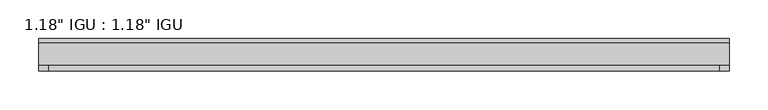
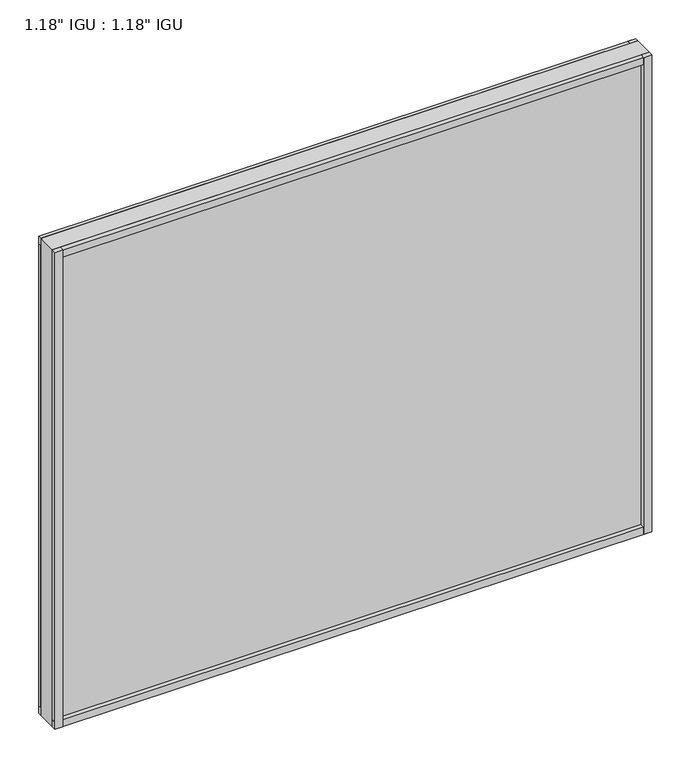
"""IFC4 building model written with IfcOpenShell, lengths in millimetres: plate geometry."""

from ifc_helpers import new_model, si_unit, frame, origin, origin_with_axes, place, context, project, spatial, polyline, outline, extrude, source, transform, mapped, element, save


def plate_cc56fae7(model_context):
    return source(origin(), model_context, "Body", "SweptSolid", [
        extrude(outline(polyline([(444.51905, -9.7647125), (444.51905, -14.5399125), (-444.51905, -14.5399125), (-444.51905, -9.7647125), (444.51905, -9.7647125)])), origin_with_axes(), (0.0, 0.0, 1.0), 11.1252),
        extrude(outline(polyline([(-444.51905, -14.5399125), (-444.51905, -9.7647125), (444.51905, -9.7647125), (444.51905, -14.5399125), (-444.51905, -14.5399125)])), frame((0.0, 0.0, 739.3887476), z_axis=(0.0, 0.0, 1.0), x_axis=(1.0, 0.0, 0.0)), (0.0, 0.0, 1.0), 11.1252),
        extrude(outline(polyline([(444.51905, -44.6643125), (444.51905, -51.3953125), (432.3813704, -51.3953125), (432.3813704, -44.6643125), (444.51905, -44.6643125)])), origin_with_axes(), (0.0, 0.0, 1.0), 750.5139476),
        extrude(outline(polyline([(444.51905, -9.7765488), (444.51905, -14.5399125), (432.5066262, -14.5399125), (432.5066262, -9.7765488), (444.51905, -9.7765488)])), origin_with_axes(), (0.0, 0.0, 1.0), 750.5139476),
        extrude(outline(polyline([(-432.4984729, -51.3953125), (-444.51905, -51.3953125), (-444.51905, -44.6643125), (-432.4984729, -44.6643125), (-432.4984729, -51.3953125)])), origin_with_axes(), (0.0, 0.0, 1.0), 750.5139476),
        extrude(outline(polyline([(-432.4984729, -14.5399125), (-444.51905, -14.5399125), (-444.51905, -9.7647125), (-432.4984729, -9.7647125), (-432.4984729, -14.5399125)])), origin_with_axes(), (0.0, 0.0, 1.0), 750.5139476),
        extrude(outline(polyline([(444.51905, -44.6643125), (444.51905, -51.3953125), (-444.51905, -51.3953125), (-444.51905, -44.6643125), (444.51905, -44.6643125)])), origin_with_axes(), (0.0, 0.0, 1.0), 11.1693096),
        extrude(outline(polyline([(444.51905, -44.6643125), (444.51905, -51.3953125), (-444.51905, -51.3953125), (-444.51905, -44.6643125), (444.51905, -44.6643125)])), frame((0.0, 0.0, 739.3328418), z_axis=(0.0, 0.0, 1.0), x_axis=(1.0, 0.0, 0.0)), (0.0, 0.0, 1.0), 11.1811058),
        extrude(outline(polyline([(444.51905, -44.6643125), (-444.51905, -44.6643125), (-444.51905, -14.5399125), (444.51905, -14.5399125), (444.51905, -44.6643125)])), origin_with_axes(), (0.0, 0.0, 1.0), 750.5139476),
    ])


if __name__ == "__main__":
    model = new_model("IFC4")
    model_context = context("Model", 3, world=origin())
    ifc_project = project(units=[si_unit("LENGTHUNIT", "METRE", prefix="MILLI")], contexts=[model_context])
    site = spatial("IfcSite", under=ifc_project)
    building = spatial("IfcBuilding", under=site)
    placement = place(None, origin())
    plate_shape = plate_cc56fae7(model_context)
    element("IfcPlate", 1, ObjectType="1.18\" IGU : 1.18\" IGU", at=placement, inside=building, context=model_context, shape_type="MappedRepresentation", body=[
        mapped(plate_shape, transform((0.0, 0.0, 0.0), x_axis=(1.0, 0.0, 0.0), y_axis=(0.0, 1.0, 0.0), z_axis=(0.0, 0.0, 1.0))),
    ])
    save(model, "model.ifc")
